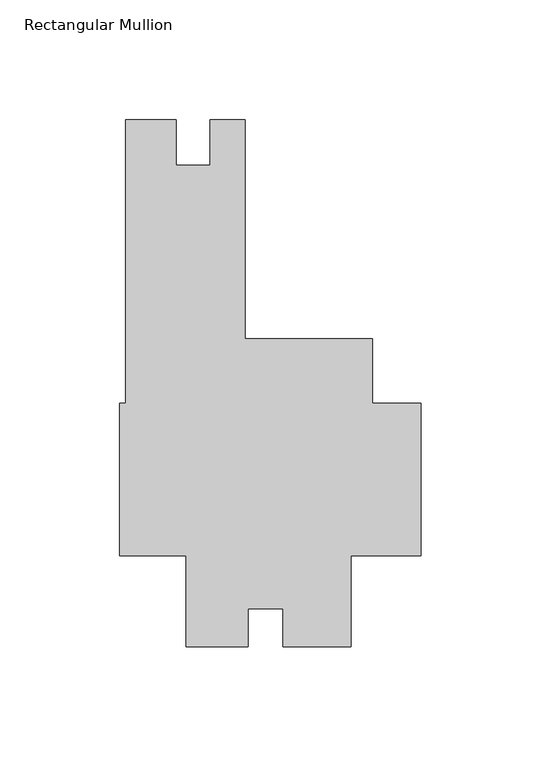
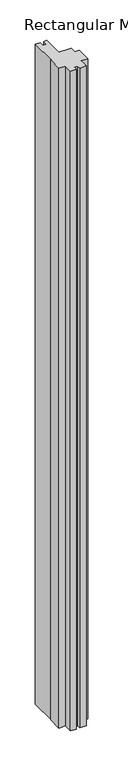
"""IFC4 building model written with IfcOpenShell, lengths in millimetres: member geometry, Rectangular Mullion."""

import ifcopenshell
import ifcopenshell.guid

model = None  # the IFC model being written
_history = None  # IfcOwnerHistory: only IFC2X3 demands one
_inside = {}  # id of a spatial element -> (the spatial element, [elements in it])
_under = {}  # id of a project, library or spatial element -> (it, [spatial elements below it])
_declared = {}  # id of a project -> (the project, [libraries it declares])
_typed = {}  # id of a type object -> (the type object, [elements of that type])
_made_of = {}  # id of a material, layer set ... -> (it, [elements and type objects made of it])


def new_model(schema):
    """Start an empty IFC model of exactly this schema.

    Asked for "IFC4X3", IfcOpenShell would pick the latest addendum, in which some entities
    have other attributes; the version numbers below select the first issue.
    IFC2X3 requires an IfcOwnerHistory on every rooted entity: one is made here for all.
    """
    global model, _history
    if schema == "IFC4X3":
        model = ifcopenshell.file(schema_version=(4, 3, 0, 0))
    else:
        model = ifcopenshell.file(schema=schema)
    _inside.clear()
    _under.clear()
    _declared.clear()
    _typed.clear()
    _made_of.clear()
    _history = None
    if model.schema == "IFC2X3":
        org = make("IfcOrganization", Name="unknown")
        user = make(
            "IfcPersonAndOrganization",
            ThePerson=make("IfcPerson", FamilyName="unknown"),
            TheOrganization=org,
        )
        app = make(
            "IfcApplication",
            ApplicationDeveloper=org,
            Version="unknown",
            ApplicationFullName="unknown",
            ApplicationIdentifier="unknown",
        )
        _history = make(
            "IfcOwnerHistory",
            OwningUser=user,
            OwningApplication=app,
            ChangeAction="ADDED",
            CreationDate=0,
        )
    return model


def make(cls, **values):
    """One entity of the class cls with the attributes given. An attribute that is None is left unset."""
    return model.create_entity(
        cls, **{name: value for name, value in values.items() if value is not None}
    )


def rooted(cls, **values):
    """An entity with a GlobalId (a new one), such as an element, a storey or a relation."""
    return make(cls, GlobalId=ifcopenshell.guid.new(), OwnerHistory=_history, **values)


def si_unit(unit_type, name, prefix=None):
    """IfcSIUnit, for example si_unit("LENGTHUNIT", "METRE", prefix="MILLI")."""
    return make("IfcSIUnit", UnitType=unit_type, Prefix=prefix, Name=name)


def assignment(units):
    """IfcUnitAssignment: the units of a project."""
    return None if units is None else make("IfcUnitAssignment", Units=units)


def point(xyz):
    """IfcCartesianPoint."""
    return None if xyz is None else make("IfcCartesianPoint", Coordinates=xyz)


def direction(xyz):
    """IfcDirection."""
    return None if xyz is None else make("IfcDirection", DirectionRatios=xyz)


def frame(location, z_axis=None, x_axis=None):
    """IfcAxis2Placement3D, a coordinate frame: its origin and axes. An axis left out is left unset."""
    return make(
        "IfcAxis2Placement3D",
        Location=point(location),
        Axis=direction(z_axis),
        RefDirection=direction(x_axis),
    )


def origin():
    """The frame at (0, 0, 0) with its axes left unset."""
    return frame((0.0, 0.0, 0.0))


def place(relative_to, where):
    """IfcLocalPlacement: puts the frame where relative to a parent placement (None: the world)."""
    return make(
        "IfcLocalPlacement", PlacementRelTo=relative_to, RelativePlacement=where
    )


def context(
    kind, dimensions, precision=None, world=None, true_north=None, identifier=None
):
    """IfcGeometricRepresentationContext, for example the 3D "Model" context."""
    return make(
        "IfcGeometricRepresentationContext",
        ContextIdentifier=identifier,
        ContextType=kind,
        CoordinateSpaceDimension=dimensions,
        Precision=precision,
        WorldCoordinateSystem=world,
        TrueNorth=true_north,
    )


def project(units=None, contexts=None):
    """IfcProject with its units and contexts."""
    return rooted(
        "IfcProject",
        Name="project",
        RepresentationContexts=contexts,
        UnitsInContext=assignment(units),
    )


def spatial(cls, under=None, at=None, **own):
    """A site, building, storey or space (cls), placed at a placement, below another one or the project."""
    s = rooted(cls, ObjectPlacement=at, **own)
    if under is not None:
        _under.setdefault(under.id(), (under, []))[1].append(s)
    return s


def polyline(points):
    """IfcPolyline through the points."""
    return make("IfcPolyline", Points=[point(p) for p in points])


def outline(outer, holes=None, kind="AREA"):
    """IfcArbitraryClosedProfileDef: a profile drawn as a closed curve; with holes, ...WithVoids."""
    if holes is None:
        return make("IfcArbitraryClosedProfileDef", ProfileType=kind, OuterCurve=outer)
    return make(
        "IfcArbitraryProfileDefWithVoids",
        ProfileType=kind,
        OuterCurve=outer,
        InnerCurves=holes,
    )


def extrude(swept, where, along, depth):
    """IfcExtrudedAreaSolid: the profile swept, set in the frame where, extruded along a direction by depth."""
    return make(
        "IfcExtrudedAreaSolid",
        SweptArea=swept,
        Position=where,
        ExtrudedDirection=direction(along),
        Depth=depth,
    )


def shape(context_of_items, identifier, shape_type, items):
    """IfcShapeRepresentation: the items that make up one representation, for example the "Body"."""
    return make(
        "IfcShapeRepresentation",
        ContextOfItems=context_of_items,
        RepresentationIdentifier=identifier,
        RepresentationType=shape_type,
        Items=items,
    )


def source(mapping_origin, context_of_items, identifier, shape_type, items):
    """IfcRepresentationMap: a shape defined once, which mapped items show again and again."""
    return make(
        "IfcRepresentationMap",
        MappingOrigin=mapping_origin,
        MappedRepresentation=shape(context_of_items, identifier, shape_type, items),
    )


def transform(
    local_origin,
    x_axis=None,
    y_axis=None,
    z_axis=None,
    scale=None,
    scale2=None,
    scale3=None,
    uniform=True,
):
    """IfcCartesianTransformationOperator3D, or its non-uniform kind. x_axis, y_axis, z_axis: its Axis1, 2, 3."""
    if uniform:
        return make(
            "IfcCartesianTransformationOperator3D",
            Axis1=direction(x_axis),
            Axis2=direction(y_axis),
            LocalOrigin=point(local_origin),
            Scale=scale,
            Axis3=direction(z_axis),
        )
    return make(
        "IfcCartesianTransformationOperator3DnonUniform",
        Axis1=direction(x_axis),
        Axis2=direction(y_axis),
        LocalOrigin=point(local_origin),
        Scale=scale,
        Axis3=direction(z_axis),
        Scale2=scale2,
        Scale3=scale3,
    )


def mapped(mapping_source, mapping_target):
    """IfcMappedItem: shows the shape of a source again, moved by a transform."""
    return make(
        "IfcMappedItem", MappingSource=mapping_source, MappingTarget=mapping_target
    )


def made_of(thing, what):
    """Note that an element or type object is made of a material, layer set ...; save() writes the relation."""
    if what is not None:
        _made_of.setdefault(what.id(), (what, []))[1].append(thing)
    return thing


def element(
    cls,
    number,
    at=None,
    inside=None,
    cuts=None,
    type_object=None,
    material=None,
    context=None,
    identifier="Body",
    shape_type=None,
    held_by="IfcProductDefinitionShape",
    body=None,
    shapes=None,
    **own,
):
    """One element of the class cls, such as IfcWall. Its Tag is "e" and its number.

    at: its placement. inside: the storey or other place that contains it. cuts: it is an
    opening in that element (IfcRelVoidsElement). A single representation is given by context,
    identifier, shape_type and body (its items); several are given by shapes. held_by: the class
    of the entity that holds the representations. save() writes the other relations.
    """
    e = rooted(cls, Tag="e%d" % number, ObjectPlacement=at, **own)
    if body is not None:
        shapes = [shape(context, identifier, shape_type, body)]
    if shapes is not None:
        e.Representation = make(held_by, Representations=shapes)
    if inside is not None:
        _inside.setdefault(inside.id(), (inside, []))[1].append(e)
    if cuts is not None:
        rooted(
            "IfcRelVoidsElement", RelatingBuildingElement=cuts, RelatedOpeningElement=e
        )
    if type_object is not None:
        _typed.setdefault(type_object.id(), (type_object, []))[1].append(e)
    return made_of(e, material)


def aggregate(whole, parts):
    """IfcRelAggregates: a whole, such as a stair, and the parts it consists of."""
    return rooted("IfcRelAggregates", RelatingObject=whole, RelatedObjects=parts)


def save(model, path):
    """Write the relations noted so far, then the file.

    IfcRelAggregates (storeys below a building ...), IfcRelContainedInSpatialStructure (elements
    in a storey), IfcRelDefinesByType, IfcRelAssociatesMaterial and IfcRelDeclares: one each for
    every whole, place, type object, material and project.
    """
    for whole, parts in _under.values():
        aggregate(whole, parts)
    for where, things in _inside.values():
        rooted(
            "IfcRelContainedInSpatialStructure",
            RelatedElements=things,
            RelatingStructure=where,
        )
    for kind, things in _typed.values():
        rooted("IfcRelDefinesByType", RelatedObjects=things, RelatingType=kind)
    for what, things in _made_of.values():
        rooted("IfcRelAssociatesMaterial", RelatedObjects=things, RelatingMaterial=what)
    for by, libraries in _declared.values():
        rooted("IfcRelDeclares", RelatingContext=by, RelatedDefinitions=libraries)
    model.write(path)


def rectangular_mullion_0065868a(model_context):
    return source(origin(), model_context, "Body", "SweptSolid", [
        extrude(outline(polyline([(-98.1191972, -128.5684498), (-98.1191972, -90.4684498), (-125.7808, -90.4684498), (-125.7808, -26.96845), (-123.2154002, -26.96845), (-123.2154002, 91.3003003), (-102.3365936, 91.3003003), (-102.3365936, 72.2757015), (-88.0237002, 72.2757015), (-88.0237002, 91.3003015), (-73.4314002, 91.3003015), (-73.4314002, 0.00635), (-20.2501502, 0.00635), (-20.2501502, -26.96845), (0.0, -26.96845), (0.0, -90.4684498), (-29.2608, -90.4684498), (-29.2608, -128.5684509), (-57.6687949, -128.5684509), (-57.6687949, -112.65535), (-72.1741, -112.65535), (-72.1741, -128.5684498), (-98.1191972, -128.5684498)])), frame((0.0, 0.0, -3048.0), z_axis=(0.0, 0.0, 1.0), x_axis=(1.0, 0.0, 0.0)), (0.0, 0.0, 1.0), 3048.0),
    ])


if __name__ == "__main__":
    model = new_model("IFC4")
    model_context = context("Model", 3, world=origin())
    ifc_project = project(units=[si_unit("LENGTHUNIT", "METRE", prefix="MILLI")], contexts=[model_context])
    site = spatial("IfcSite", under=ifc_project)
    building = spatial("IfcBuilding", under=site)
    placement = place(None, origin())
    rectangular_mullion_shape = rectangular_mullion_0065868a(model_context)
    element("IfcMember", 1, ObjectType="Rectangular Mullion", at=placement, inside=building, context=model_context, shape_type="MappedRepresentation", body=[
        mapped(rectangular_mullion_shape, transform((0.0, 0.0, 0.0), x_axis=(1.0, 0.0, 0.0), y_axis=(0.0, 1.0, 0.0), z_axis=(0.0, 0.0, 1.0))),
    ])
    save(model, "model.ifc")
